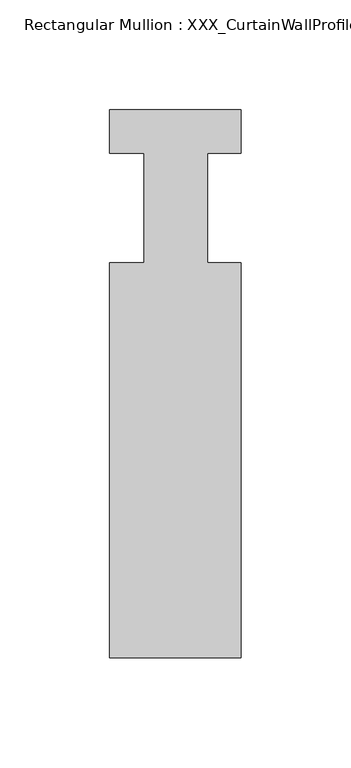
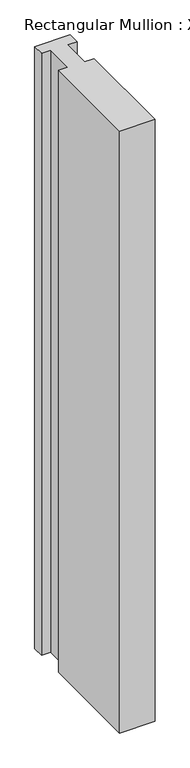
"""IFC4 building model written with IfcOpenShell, lengths in millimetres: member geometry, Rectangular Mullion : XXX_CurtainWallProfile_Ext_VerticalMullion-60x170mm."""

from ifc_helpers import new_model, si_unit, frame, origin, place, context, project, spatial, polyline, outline, extrude, source, transform, mapped, element, save


def rectangular_mullion_xxx_curtainwallprofile_ext_2c04d53b(model_context):
    return source(origin(), model_context, "Body", "SweptSolid", [
        extrude(outline(polyline([(-59.9753368, 9.6099719), (0.0, 9.6099719), (0.0, -10.2206981), (-15.3127632, -10.2206981), (-15.3127632, -60.2206981), (0.0, -60.2206981), (0.0, -240.2206971), (-59.9753368, -240.2206971), (-59.9753368, -60.2206981), (-44.1629368, -60.2206981), (-44.1629368, -10.2206981), (-59.9753368, -10.2206981), (-59.9753368, 9.6099719)])), frame((0.0, 0.0, -1080.0493265), z_axis=(0.0, 0.0, 1.0), x_axis=(1.0, 0.0, 0.0)), (0.0, 0.0, 1.0), 1080.0493265),
    ])


if __name__ == "__main__":
    model = new_model("IFC4")
    model_context = context("Model", 3, world=origin())
    ifc_project = project(units=[si_unit("LENGTHUNIT", "METRE", prefix="MILLI")], contexts=[model_context])
    site = spatial("IfcSite", under=ifc_project)
    building = spatial("IfcBuilding", under=site)
    placement = place(None, origin())
    rectangular_mullion_xxx_curtainwallprofile_ext_shape = rectangular_mullion_xxx_curtainwallprofile_ext_2c04d53b(model_context)
    element("IfcMember", 1, ObjectType="Rectangular Mullion : XXX_CurtainWallProfile_Ext_VerticalMullion-60x170mm", at=placement, inside=building, context=model_context, shape_type="MappedRepresentation", body=[
        mapped(rectangular_mullion_xxx_curtainwallprofile_ext_shape, transform((0.0, 0.0, 0.0), x_axis=(1.0, 0.0, 0.0), y_axis=(0.0, 1.0, 0.0), z_axis=(0.0, 0.0, 1.0))),
    ])
    save(model, "model.ifc")
